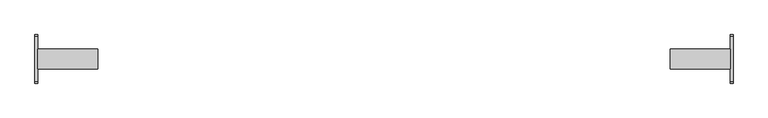
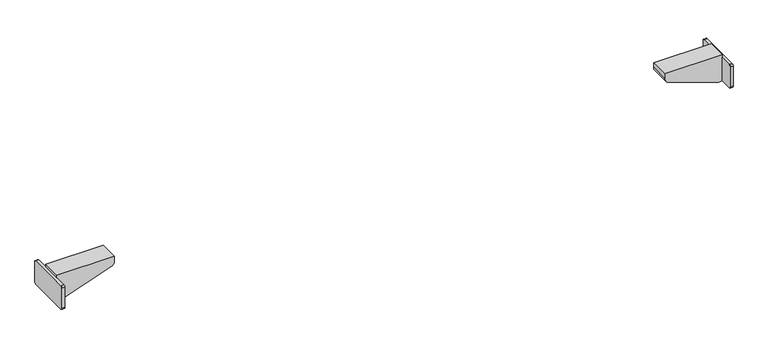
"""IFC4 building model written with IfcOpenShell, lengths in millimetres: furniture geometry."""

from ifc_helpers import new_model, si_unit, point, frame, frame_2d, origin, place, context, project, spatial, polyline, circle_curve, trimmed, segment, composite_curve, outline, extrude, source, transform, mapped, element, save
from ifc_brep_helpers import plane_surface, cylinder_surface, advanced_brep


def furniture_660345ed(model_context):
    return source(origin(), model_context, "Body", "SolidModel", [
        extrude(outline(composite_curve([segment(polyline([(-39.4809876, 524.76), (39.5, 524.76)]), True, "CONTINUOUS"), segment(trimmed(circle_curve(frame_2d((39.5, 521.76)), 3.0), [point((39.5, 524.76))], [point((42.5, 521.76))], False, "CARTESIAN"), True, "CONTINUOUS"), segment(polyline([(42.5, 521.76), (42.5, 483.0324612)]), True, "CONTINUOUS"), segment(trimmed(circle_curve(frame_2d((39.4675388, 483.0324612)), 3.0324612), [point((42.5, 483.0324612))], [point((39.4675388, 480.0))], False, "CARTESIAN"), True, "CONTINUOUS"), segment(polyline([(39.4675388, 480.0), (-39.5133375, 480.0)]), True, "CONTINUOUS"), segment(trimmed(circle_curve(frame_2d((-39.5133375, 482.9866625)), 2.9866625), [point((-39.5133375, 480.0))], [point((-42.5, 482.9866625))], False, "CARTESIAN"), True, "CONTINUOUS"), segment(polyline([(-42.5, 482.9866625), (-42.5, 521.7409876)]), True, "CONTINUOUS"), segment(trimmed(circle_curve(frame_2d((-39.4809876, 521.7409876)), 3.0190124), [point((-42.5, 521.7409876))], [point((-39.4809876, 524.76))], False, "CARTESIAN"), True, "CONTINUOUS")], self_intersect=False)), frame((604.7599968, 0.0, 0.0), z_axis=(1.0, 0.0, 0.0), x_axis=(0.0, 1.0, 0.0)), (0.0, 0.0, 1.0), 5.24),
        extrude(outline(composite_curve([segment(polyline([(511.6677828, 506.7222698), (480.0, 597.9999968), (480.0, 604.7599968), (530.0, 604.7599968), (530.0, 499.9999968), (521.115349, 499.9999968)]), True, "CONTINUOUS"), segment(trimmed(circle_curve(frame_2d((521.115349, 509.9999968)), 10.0), [point((521.115349, 499.9999968))], [point((511.6677828, 506.7222698))], False, "CARTESIAN"), True, "CONTINUOUS")], self_intersect=False)), frame((0.0, -17.5, 0.0), z_axis=(0.0, 1.0, 0.0), x_axis=(0.0, 0.0, 1.0)), (0.0, 0.0, 1.0), 35.0),
        advanced_brep(
        [(-506.7222698, 17.5, 511.6677828), (-597.9999968, 17.5, 480.0), (-604.7599968, 17.5, 480.0), (-604.7599968, 17.5, 524.76), (-604.7599968, 17.5, 530.0), (-499.9999968, 17.5, 530.0), (-499.9999968, 17.5, 521.115349), (-506.7222698, -17.5, 511.6677828), (-499.9999968, -17.5, 521.115349), (-499.9999968, -17.5, 530.0), (-604.7599968, -17.5, 530.0), (-604.7599968, -17.5, 524.76), (-604.7599968, -17.5, 480.0), (-597.9999968, -17.5, 480.0), (-604.7599968, -39.5133375, 480.0), (-609.9999968, -39.5133375, 480.0), (-609.9999968, 39.4675388, 480.0), (-604.7599968, 39.4675388, 480.0), (-604.7599968, -39.4809876, 524.76), (-604.7599968, -42.5, 521.7409876), (-604.7599968, -42.5, 482.9866625), (-604.7599968, 39.5, 524.76), (-604.7599968, 42.5, 483.0324612), (-604.7599968, 42.5, 521.76), (-609.9999968, -39.4809876, 524.76), (-609.9999968, 39.5, 524.76), (-609.9999968, 42.5, 521.76), (-609.9999968, 42.5, 483.0324612), (-609.9999968, -42.5, 482.9866625), (-609.9999968, -42.5, 521.7409876)],
        [
            (0, 1),
            (1, 2),
            (2, 3),
            (3, 4),
            (4, 5),
            (5, 6),
            (6, 0, circle_curve(frame((-509.9999968, 17.5, 521.115349), z_axis=(0.0, 1.0, 0.0), x_axis=(1.0, 0.0, 0.0)), 10.0)),
            (7, 8, circle_curve(frame((-509.9999968, -17.5, 521.115349), z_axis=(0.0, -1.0, 0.0), x_axis=(1.0, 0.0, 0.0)), 10.0)),
            (8, 9),
            (9, 10),
            (10, 11),
            (11, 12),
            (12, 13),
            (13, 7),
            (6, 8),
            (7, 0),
            (5, 9),
            (4, 10),
            (3, 11),
            (1, 13),
            (12, 14),
            (14, 15),
            (15, 16),
            (16, 17),
            (17, 2),
            (11, 18),
            (18, 19, circle_curve(frame((-604.7599968, -39.4809876, 521.7409876), z_axis=(1.0, 0.0, 0.0), x_axis=(0.0, -1.0, 0.0)), 3.0190124)),
            (19, 20),
            (20, 14, circle_curve(frame((-604.7599968, -39.5133375, 482.9866625), z_axis=(1.0, 0.0, 0.0), x_axis=(0.0, -1.0, 0.0)), 2.9866625)),
            (21, 3),
            (17, 22, circle_curve(frame((-604.7599968, 39.4675388, 483.0324612), z_axis=(1.0, 0.0, 0.0), x_axis=(0.0, -1.0, 0.0)), 3.0324612)),
            (22, 23),
            (23, 21, circle_curve(frame((-604.7599968, 39.5, 521.76), z_axis=(1.0, 0.0, 0.0), x_axis=(0.0, -1.0, 0.0)), 3.0)),
            (24, 25),
            (25, 26, circle_curve(frame((-609.9999968, 39.5, 521.76), z_axis=(-1.0, 0.0, 0.0), x_axis=(0.0, -1.0, 0.0)), 3.0)),
            (26, 27),
            (27, 16, circle_curve(frame((-609.9999968, 39.4675388, 483.0324612), z_axis=(-1.0, 0.0, 0.0), x_axis=(0.0, -1.0, 0.0)), 3.0324612)),
            (15, 28, circle_curve(frame((-609.9999968, -39.5133375, 482.9866625), z_axis=(-1.0, 0.0, 0.0), x_axis=(0.0, -1.0, 0.0)), 2.9866625)),
            (28, 29),
            (29, 24, circle_curve(frame((-609.9999968, -39.4809876, 521.7409876), z_axis=(-1.0, 0.0, 0.0), x_axis=(0.0, -1.0, 0.0)), 3.0190124)),
            (24, 18),
            (21, 25),
            (23, 26),
            (22, 27),
            (20, 28),
            (19, 29),
        ],
        [
            plane_surface(frame((-499.9999968, 17.5, 521.115349), z_axis=(0.0, 1.0, 0.0), x_axis=(0.0, 0.0, 1.0))),
            plane_surface(frame((-499.9999968, -17.5, 521.115349), z_axis=(0.0, -1.0, 0.0), x_axis=(0.0, 0.0, -1.0))),
            cylinder_surface(frame((-509.9999968, -17.5, 521.115349), z_axis=(0.0, 1.0, 0.0), x_axis=(1.0, 0.0, 0.0)), 10.0),
            plane_surface(frame((-499.9999968, 17.5, 521.115349), z_axis=(1.0, 0.0, 0.0), x_axis=(0.0, -1.0, 0.0))),
            plane_surface(frame((-499.9999968, 17.5, 530.0), z_axis=(0.0, 0.0, 1.0), x_axis=(0.0, -1.0, 0.0))),
            plane_surface(frame((-604.7599968, 17.5, 530.0), z_axis=(-1.0, 0.0, 0.0), x_axis=(0.0, -1.0, 0.0))),
            plane_surface(frame((-604.7599968, 17.5, 480.0), z_axis=(0.0, 0.0, -1.0), x_axis=(0.0, -1.0, 0.0))),
            plane_surface(frame((-597.9999968, 17.5, 480.0), z_axis=(0.32777270209389775, 0.0, -0.9447566119176224), x_axis=(0.0, -1.0, 0.0))),
            plane_surface(frame((-604.7599968, 39.5, 524.76), z_axis=(1.0, 0.0, 0.0), x_axis=(0.0, 1.0, 0.0))),
            plane_surface(frame((-609.9999968, 39.5, 524.76), z_axis=(-1.0, 0.0, 0.0), x_axis=(0.0, -1.0, 0.0))),
            plane_surface(frame((-604.7599968, -39.4809876, 524.76), z_axis=(0.0, 0.0, 1.0), x_axis=(-1.0, 0.0, 0.0))),
            cylinder_surface(frame((-609.9999968, 39.5, 521.76), z_axis=(1.0, 0.0, 0.0), x_axis=(0.0, -1.0, 0.0)), 3.0),
            plane_surface(frame((-604.7599968, 42.5, 521.76), z_axis=(0.0, 1.0, 0.0), x_axis=(-1.0, 0.0, 0.0))),
            cylinder_surface(frame((-609.9999968, 39.4675388, 483.0324612), z_axis=(1.0, 0.0, 0.0), x_axis=(0.0, -1.0, 0.0)), 3.0324612),
            cylinder_surface(frame((-609.9999968, -39.5133375, 482.9866625), z_axis=(1.0, 0.0, 0.0), x_axis=(0.0, -1.0, 0.0)), 2.9866625),
            plane_surface(frame((-604.7599968, -42.5, 482.9866625), z_axis=(0.0, -1.0, 0.0), x_axis=(-1.0, 0.0, 0.0))),
            cylinder_surface(frame((-609.9999968, -39.4809876, 521.7409876), z_axis=(1.0, 0.0, 0.0), x_axis=(0.0, -1.0, 0.0)), 3.0190124),
        ],
        [
            (0, [[1, 2, 3, 4, 5, 6, 7]]),
            (1, [[8, 9, 10, 11, 12, 13, 14]]),
            (2, [[15, -8, 16, -7]]),
            (3, [[17, -9, -15, -6]]),
            (4, [[18, -10, -17, -5]]),
            (5, [[-4, 19, -11, -18]]),
            (6, [[20, -13, 21, 22, 23, 24, 25, -2]]),
            (7, [[-16, -14, -20, -1]]),
            (8, [[-21, -12, 26, 27, 28, 29]]),
            (8, [[30, -3, -25, 31, 32, 33]]),
            (9, [[34, 35, 36, 37, -23, 38, 39, 40]]),
            (10, [[41, -26, -19, -30, 42, -34]]),
            (11, [[43, -35, -42, -33]]),
            (12, [[44, -36, -43, -32]]),
            (13, [[-24, -37, -44, -31]]),
            (14, [[45, -38, -22, -29]]),
            (15, [[46, -39, -45, -28]]),
            (16, [[-41, -40, -46, -27]]),
        ],
    ),
    ])


if __name__ == "__main__":
    model = new_model("IFC4")
    model_context = context("Model", 3, world=origin())
    ifc_project = project(units=[si_unit("LENGTHUNIT", "METRE", prefix="MILLI")], contexts=[model_context])
    site = spatial("IfcSite", under=ifc_project)
    building = spatial("IfcBuilding", under=site)
    placement = place(None, origin())
    furniture_shape = furniture_660345ed(model_context)
    element("IfcFurniture", 1, at=placement, inside=building, context=model_context, shape_type="MappedRepresentation", body=[
        mapped(furniture_shape, transform((0.0, 0.0, 0.0), x_axis=(1.0, 0.0, 0.0), y_axis=(0.0, 1.0, 0.0), z_axis=(0.0, 0.0, 1.0))),
    ])
    save(model, "model.ifc")
